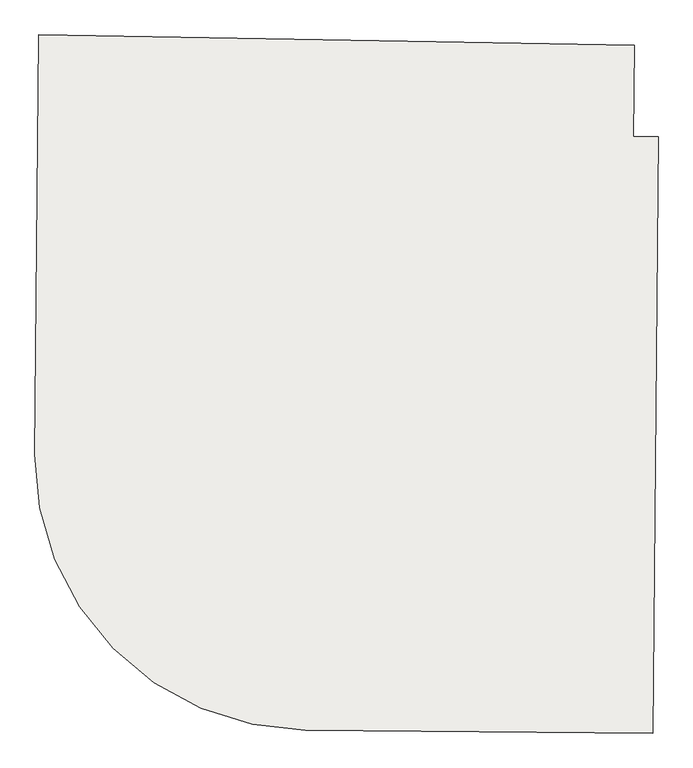
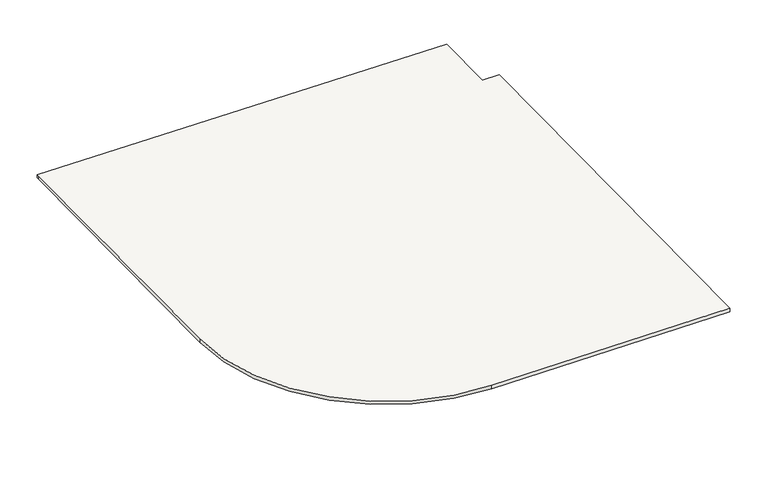
"""IFC4 building model written with IfcOpenShell, lengths in millimetres: slab geometry."""

from ifc_helpers import new_model, si_unit, point, frame, frame_2d, origin, place, context, project, spatial, polyline, circle_curve, trimmed, segment, composite_curve, outline, extrude, source, transform, mapped, element, save


def slab_d9f967be(model_context):
    return source(origin(), model_context, "Body", "SweptSolid", [
        extrude(outline(composite_curve([segment(polyline([(-140511.0513863, 80788.8301385), (-141910.4667475, 80801.0426513)]), True, "CONTINUOUS"), segment(trimmed(circle_curve(frame_2d((-141900.8675584, 81901.0007667)), 1100.0), [point((-141910.4667475, 80801.0426513))], [point((-143000.8256738, 81910.5999558))], False, "CARTESIAN"), True, "CONTINUOUS"), segment(polyline([(-143000.8256738, 81910.5999558), (-142986.1785984, 83588.9885565), (-142985.9958361, 83599.4590035), (-140586.3613677, 83557.5732281), (-140589.5725623, 83189.6067705), (-140490.1077011, 83188.7387538), (-140511.0513863, 80788.8301385)]), True, "CONTINUOUS")], self_intersect=False)), frame((0.0, 0.0, 9934.125), z_axis=(0.0, 0.0, 1.0), x_axis=(1.0, 0.0, 0.0)), (0.0, 0.0, 1.0), 20.0),
    ])


if __name__ == "__main__":
    model = new_model("IFC4")
    model_context = context("Model", 3, world=origin())
    ifc_project = project(units=[si_unit("LENGTHUNIT", "METRE", prefix="MILLI")], contexts=[model_context])
    site = spatial("IfcSite", under=ifc_project)
    building = spatial("IfcBuilding", under=site)
    placement = place(None, origin())
    slab_shape = slab_d9f967be(model_context)
    element("IfcSlab", 1, at=placement, inside=building, context=model_context, shape_type="MappedRepresentation", body=[
        mapped(slab_shape, transform((0.0, 0.0, 0.0), x_axis=(1.0, 0.0, 0.0), y_axis=(0.0, 1.0, 0.0), z_axis=(0.0, 0.0, 1.0))),
    ])
    save(model, "model.ifc")
